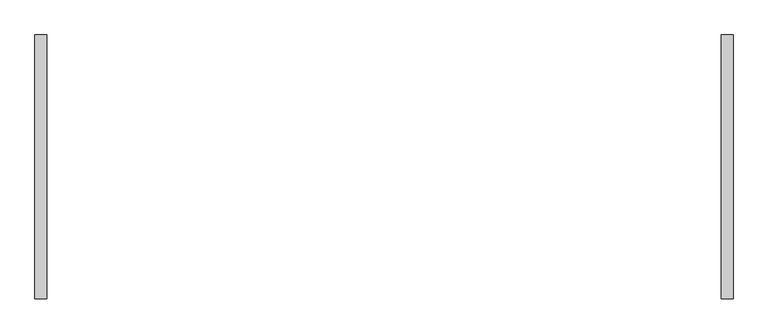
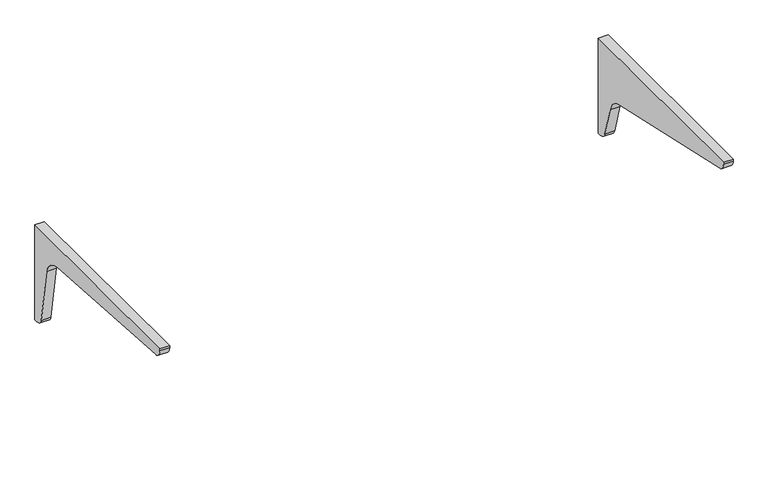
"""IFC4 building model written with IfcOpenShell, lengths in millimetres: furniture geometry."""

from ifc_helpers import new_model, si_unit, point, frame, frame_2d, origin, place, context, project, spatial, polyline, circle_curve, trimmed, segment, composite_curve, outline, extrude, source, transform, mapped, element, save


def furniture_913aa7bf(model_context):
    return source(origin(), model_context, "Body", "SweptSolid", [
        extrude(outline(composite_curve([segment(polyline([(177.8, 425.45), (177.8, 158.75), (168.7371495, 158.75)]), True, "CONTINUOUS"), segment(trimmed(circle_curve(frame_2d((168.7371495, 180.3967769)), 21.6467769), [point((168.7371495, 158.75))], [point((147.9289321, 174.4301165))], False, "CARTESIAN"), True, "CONTINUOUS"), segment(polyline([(147.9289321, 174.4301165), (124.3411705, 256.690416)]), True, "CONTINUOUS"), segment(trimmed(circle_curve(frame_2d((69.4050646, 240.937741)), 57.15), [point((124.3411705, 256.690416))], [point((75.1946456, 297.793728))], True, "CARTESIAN"), True, "CONTINUOUS"), segment(polyline([(75.1946456, 297.793728), (-376.8509719, 397.8329963)]), True, "CONTINUOUS"), segment(trimmed(circle_curve(frame_2d((-374.593772, 419.9995967)), 22.281228), [point((-376.8509719, 397.8329963))], [point((-396.875, 419.9995967))], False, "CARTESIAN"), True, "CONTINUOUS"), segment(polyline([(-396.875, 419.9995967), (-396.875, 425.45), (177.8, 425.45)]), True, "CONTINUOUS")], self_intersect=False)), frame((735.0125, 0.0, 0.0), z_axis=(1.0, 0.0, 0.0), x_axis=(0.0, 1.0, 0.0)), (0.0, 0.0, 1.0), 25.4),
        extrude(outline(composite_curve([segment(polyline([(177.8, 425.45), (177.8, 158.75), (168.7371495, 158.75)]), True, "CONTINUOUS"), segment(trimmed(circle_curve(frame_2d((168.7371495, 180.3967769)), 21.6467769), [point((168.7371495, 158.75))], [point((147.928932, 174.4301166))], False, "CARTESIAN"), True, "CONTINUOUS"), segment(polyline([(147.928932, 174.4301166), (124.3411706, 326.5404159)]), True, "CONTINUOUS"), segment(trimmed(circle_curve(frame_2d((69.4050646, 310.787741)), 57.15), [point((124.3411706, 326.5404159))], [point((75.1946456, 367.643728))], True, "CARTESIAN"), True, "CONTINUOUS"), segment(polyline([(75.1946456, 367.643728), (-376.8509719, 397.8329963)]), True, "CONTINUOUS"), segment(trimmed(circle_curve(frame_2d((-374.593772, 419.9995967)), 22.281228), [point((-376.8509719, 397.8329963))], [point((-396.875, 419.9995967))], False, "CARTESIAN"), True, "CONTINUOUS"), segment(polyline([(-396.875, 419.9995967), (-396.875, 425.45), (177.8, 425.45)]), True, "CONTINUOUS")], self_intersect=False)), frame((-760.4125, 0.0, 0.0), z_axis=(1.0, 0.0, 0.0), x_axis=(0.0, 1.0, 0.0)), (0.0, 0.0, 1.0), 25.4),
    ])


if __name__ == "__main__":
    model = new_model("IFC4")
    model_context = context("Model", 3, world=origin())
    ifc_project = project(units=[si_unit("LENGTHUNIT", "METRE", prefix="MILLI")], contexts=[model_context])
    site = spatial("IfcSite", under=ifc_project)
    building = spatial("IfcBuilding", under=site)
    placement = place(None, origin())
    furniture_shape = furniture_913aa7bf(model_context)
    element("IfcFurniture", 1, at=placement, inside=building, context=model_context, shape_type="MappedRepresentation", body=[
        mapped(furniture_shape, transform((0.0, 0.0, 0.0), x_axis=(1.0, 0.0, 0.0), y_axis=(0.0, 1.0, 0.0), z_axis=(0.0, 0.0, 1.0))),
    ])
    save(model, "model.ifc")
